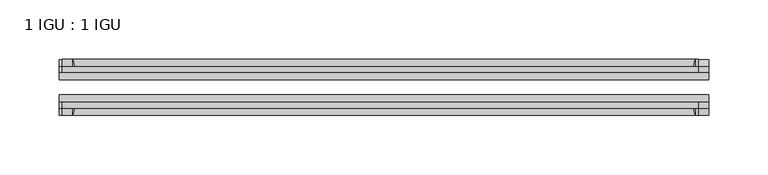
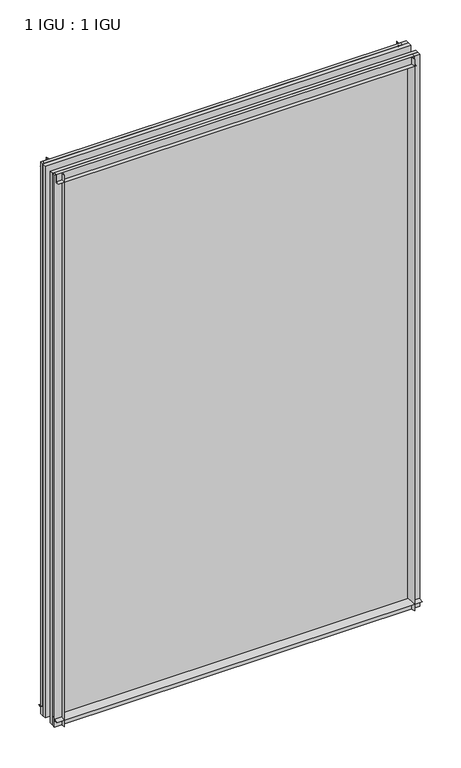
"""IFC4 building model written with IfcOpenShell, lengths in millimetres: plate geometry, 1 IGU : 1 IGU."""

from ifc_helpers import new_model, si_unit, point, frame, frame_2d, origin, place, context, project, spatial, polyline, circle_curve, trimmed, segment, composite_curve, outline, extrude, source, transform, mapped, element, save


def plate_1_igu_1_igu_5aae74ce(model_context):
    return source(origin(), model_context, "Body", "SweptSolid", [
        extrude(outline(composite_curve([segment(trimmed(circle_curve(frame_2d((-28.0741797, 32.2797688)), 32.7673262), [point((-44.45, 3.8979053))], [point((-33.7058, 1.48e-05))], True, "CARTESIAN"), True, "CONTINUOUS"), segment(polyline([(-33.7058, 1.48e-05), (-39.6748, 1.48e-05), (-39.6748, -10.31875), (-44.45, -10.31875), (-44.45, 3.8979053)]), True, "CONTINUOUS")], self_intersect=False)), frame((-273.1829531, 0.0, 0.0), z_axis=(1.0, 0.0, 0.0), x_axis=(0.0, 1.0, 0.0)), (0.0, 0.0, 1.0), 546.3659063),
        extrude(outline(composite_curve([segment(trimmed(circle_curve(frame_2d((-86.2258203, 32.2797602)), 32.7673262), [point((-80.5942354, 0.0))], [point((-69.85, 3.8978967))], True, "CARTESIAN"), True, "CONTINUOUS"), segment(polyline([(-69.85, 3.8978967), (-69.85, -10.31875), (-74.6252, -10.31875), (-74.6252, 0.0), (-80.5942354, 0.0)]), True, "CONTINUOUS")], self_intersect=False)), frame((-273.1829531, 0.0, 0.0), z_axis=(1.0, 0.0, 0.0), x_axis=(0.0, 1.0, 0.0)), (0.0, 0.0, 1.0), 546.3659063),
        extrude(outline(composite_curve([segment(polyline([(-80.5942, 850.9), (-74.6252, 850.9), (-74.6252, 862.0125), (-69.85, 862.0125), (-69.85, 847.0021095)]), True, "CONTINUOUS"), segment(trimmed(circle_curve(frame_2d((-86.2258203, 818.620246)), 32.7673262), [point((-69.85, 847.0021095))], [point((-80.5942, 850.9))], True, "CARTESIAN"), True, "CONTINUOUS")], self_intersect=False)), frame((-270.5831918, 0.0, 0.0), z_axis=(1.0, 0.0, 0.0), x_axis=(0.0, 1.0, 0.0)), (0.0, 0.0, 1.0), 535.1996064),
        extrude(outline(composite_curve([segment(polyline([(-39.6748, 862.0125), (-39.6748, 850.9), (-33.7058, 850.9)]), True, "CONTINUOUS"), segment(trimmed(circle_curve(frame_2d((-28.0741797, 818.620246)), 32.7673262), [point((-33.7058, 850.9))], [point((-44.45, 847.0021095))], True, "CARTESIAN"), True, "CONTINUOUS"), segment(polyline([(-44.45, 847.0021095), (-44.45, 862.0125), (-39.6748, 862.0125)]), True, "CONTINUOUS")], self_intersect=False)), frame((-270.5831918, 0.0, 0.0), z_axis=(1.0, 0.0, 0.0), x_axis=(0.0, 1.0, 0.0)), (0.0, 0.0, 1.0), 535.1996064),
        extrude(outline(composite_curve([segment(polyline([(273.1829531, -39.6748), (273.1829531, -44.45), (258.1725626, -44.45)]), True, "CONTINUOUS"), segment(trimmed(circle_curve(frame_2d((229.7906992, -28.0741797)), 32.7673262), [point((258.1725626, -44.45))], [point((262.0704531, -33.7058))], True, "CARTESIAN"), True, "CONTINUOUS"), segment(polyline([(262.0704531, -33.7058), (262.0704531, -39.6748), (273.1829531, -39.6748)]), True, "CONTINUOUS")], self_intersect=False)), frame((0.0, 0.0, -10.31875), z_axis=(0.0, 0.0, 1.0), x_axis=(1.0, 0.0, 0.0)), (0.0, 0.0, 1.0), 872.33125),
        extrude(outline(composite_curve([segment(polyline([(273.1829531, -69.85), (273.1829531, -74.6252), (262.0704531, -74.6252), (262.0704531, -80.5942)]), True, "CONTINUOUS"), segment(trimmed(circle_curve(frame_2d((229.7906992, -86.2258203)), 32.7673262), [point((262.0704531, -80.5942))], [point((258.1725626, -69.85))], True, "CARTESIAN"), True, "CONTINUOUS"), segment(polyline([(258.1725626, -69.85), (273.1829531, -69.85)]), True, "CONTINUOUS")], self_intersect=False)), frame((0.0, 0.0, -10.31875), z_axis=(0.0, 0.0, 1.0), x_axis=(1.0, 0.0, 0.0)), (0.0, 0.0, 1.0), 872.33125),
        extrude(outline(composite_curve([segment(polyline([(-273.1829531, -39.6748), (-262.0704531, -39.6748), (-262.0704531, -33.7058)]), True, "CONTINUOUS"), segment(trimmed(circle_curve(frame_2d((-229.7906992, -28.0741797)), 32.7673262), [point((-262.0704531, -33.7058))], [point((-258.1725626, -44.45))], True, "CARTESIAN"), True, "CONTINUOUS"), segment(polyline([(-258.1725626, -44.45), (-273.1829531, -44.45), (-273.1829531, -39.6748)]), True, "CONTINUOUS")], self_intersect=False)), frame((0.0, 0.0, -10.31875), z_axis=(0.0, 0.0, 1.0), x_axis=(1.0, 0.0, 0.0)), (0.0, 0.0, 1.0), 872.33125),
        extrude(outline(composite_curve([segment(polyline([(-273.1829531, -74.6252), (-273.1829531, -69.85), (-258.1725626, -69.85)]), True, "CONTINUOUS"), segment(trimmed(circle_curve(frame_2d((-229.7906992, -86.2258203)), 32.7673262), [point((-258.1725626, -69.85))], [point((-262.0704531, -80.5942))], True, "CARTESIAN"), True, "CONTINUOUS"), segment(polyline([(-262.0704531, -80.5942), (-262.0704531, -74.6252), (-273.1829531, -74.6252)]), True, "CONTINUOUS")], self_intersect=False)), frame((0.0, 0.0, -10.31875), z_axis=(0.0, 0.0, 1.0), x_axis=(1.0, 0.0, 0.0)), (0.0, 0.0, 1.0), 872.33125),
        extrude(outline(polyline([(-273.1829531, -69.85), (-273.1829531, -63.5508), (273.1829531, -63.5508), (273.1829531, -69.85), (-273.1829531, -69.85)])), frame((0.0, 0.0, -10.31875), z_axis=(0.0, 0.0, 1.0), x_axis=(1.0, 0.0, 0.0)), (0.0, 0.0, 1.0), 872.33125),
        extrude(outline(polyline([(273.1829531, -50.7492), (-273.1829531, -50.7492), (-273.1829531, -44.45), (273.1829531, -44.45), (273.1829531, -50.7492)])), frame((0.0, 0.0, -10.31875), z_axis=(0.0, 0.0, 1.0), x_axis=(1.0, 0.0, 0.0)), (0.0, 0.0, 1.0), 872.33125),
    ])


if __name__ == "__main__":
    model = new_model("IFC4")
    model_context = context("Model", 3, world=origin())
    ifc_project = project(units=[si_unit("LENGTHUNIT", "METRE", prefix="MILLI")], contexts=[model_context])
    site = spatial("IfcSite", under=ifc_project)
    building = spatial("IfcBuilding", under=site)
    placement = place(None, origin())
    plate_1_igu_1_igu_shape = plate_1_igu_1_igu_5aae74ce(model_context)
    element("IfcPlate", 1, ObjectType="1 IGU : 1 IGU", at=placement, inside=building, context=model_context, shape_type="MappedRepresentation", body=[
        mapped(plate_1_igu_1_igu_shape, transform((0.0, 0.0, 0.0), x_axis=(1.0, 0.0, 0.0), y_axis=(0.0, 1.0, 0.0), z_axis=(0.0, 0.0, 1.0))),
    ])
    save(model, "model.ifc")
